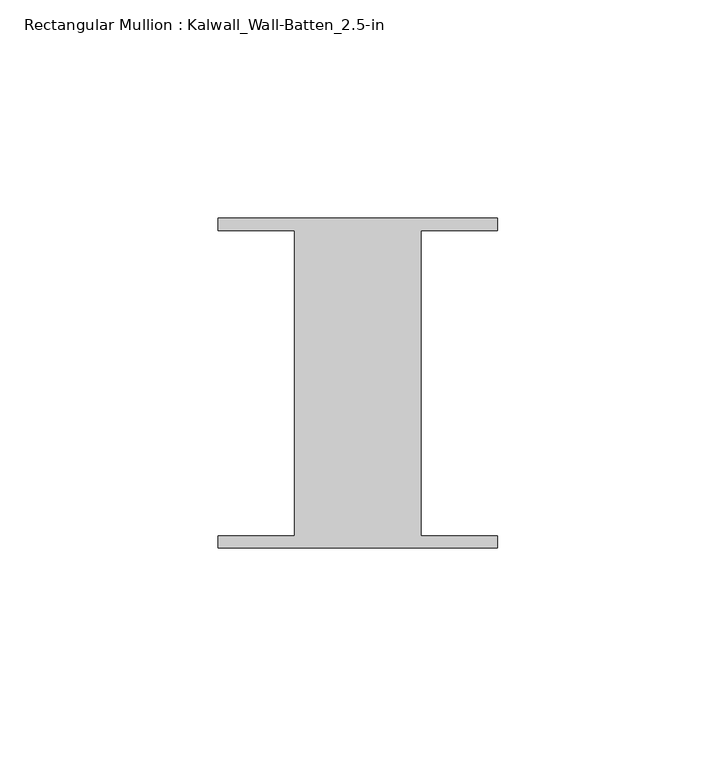
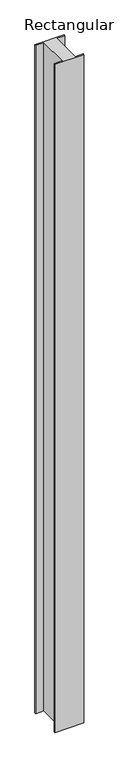
"""IFC4 building model written with IfcOpenShell, lengths in millimetres: member geometry, Rectangular Mullion : Kalwall_Wall-Batten_2.5-in."""

from ifc_helpers import new_model, si_unit, frame, origin, place, context, project, spatial, polyline, outline, extrude, source, transform, mapped, element, save


def rectangular_mullion_kalwall_wall_batten_2_5_in_e706fc7b(model_context):
    return source(origin(), model_context, "Body", "SweptSolid", [
        extrude(outline(polyline([(-32.0, 36.524), (32.0, 36.524), (32.0, 33.73), (14.5, 33.73), (14.5, -36.27), (32.0, -36.27), (32.0, -39.064), (-32.0, -39.064), (-32.0, -36.27), (-14.5, -36.27), (-14.5, 33.73), (-32.0, 33.73), (-32.0, 36.524)])), frame((0.0, 0.0, -1552.956), z_axis=(0.0, 0.0, 1.0), x_axis=(1.0, 0.0, 0.0)), (0.0, 0.0, 1.0), 1552.956),
    ])


if __name__ == "__main__":
    model = new_model("IFC4")
    model_context = context("Model", 3, world=origin())
    ifc_project = project(units=[si_unit("LENGTHUNIT", "METRE", prefix="MILLI")], contexts=[model_context])
    site = spatial("IfcSite", under=ifc_project)
    building = spatial("IfcBuilding", under=site)
    placement = place(None, origin())
    rectangular_mullion_kalwall_wall_batten_2_5_in_shape = rectangular_mullion_kalwall_wall_batten_2_5_in_e706fc7b(model_context)
    element("IfcMember", 1, ObjectType="Rectangular Mullion : Kalwall_Wall-Batten_2.5-in", at=placement, inside=building, context=model_context, shape_type="MappedRepresentation", body=[
        mapped(rectangular_mullion_kalwall_wall_batten_2_5_in_shape, transform((0.0, 0.0, 0.0), x_axis=(1.0, 0.0, 0.0), y_axis=(0.0, 1.0, 0.0), z_axis=(0.0, 0.0, 1.0))),
    ])
    save(model, "model.ifc")
